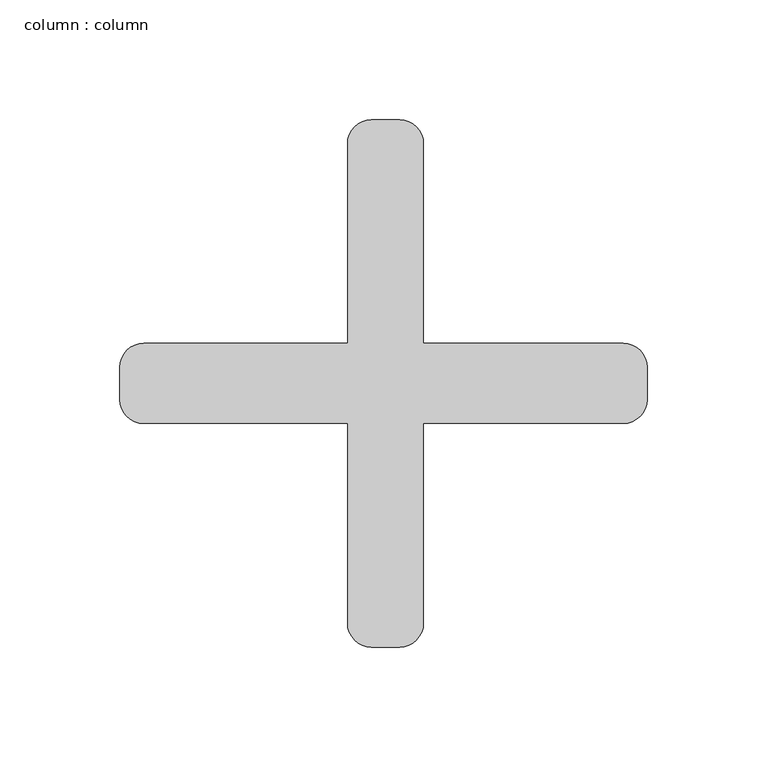
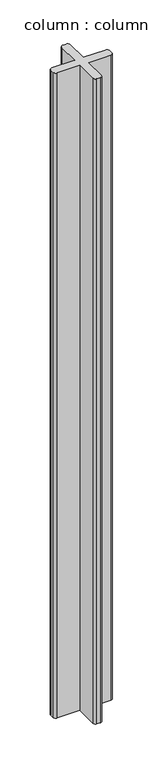
"""IFC4 building model written with IfcOpenShell, lengths in millimetres: column geometry, column : column."""

from ifc_helpers import new_model, si_unit, point, frame_2d, origin, origin_with_axes, place, context, project, spatial, polyline, circle_curve, trimmed, segment, composite_curve, outline, extrude, source, transform, mapped, element, save


def column_column_7b6b4f28(model_context):
    return source(origin(), model_context, "Body", "SweptSolid", [
        extrude(outline(composite_curve([segment(trimmed(circle_curve(frame_2d((6.7, 100.0)), 10.0), [point((6.7, 110.0))], [point((16.7, 100.0))], False, "CARTESIAN"), True, "CONTINUOUS"), segment(polyline([(16.7, 100.0), (16.7, 16.7), (100.0, 16.7)]), True, "CONTINUOUS"), segment(trimmed(circle_curve(frame_2d((100.0, 6.7)), 10.0), [point((100.0, 16.7))], [point((110.0, 6.7))], False, "CARTESIAN"), True, "CONTINUOUS"), segment(polyline([(110.0, 6.7), (110.0, -6.7)]), True, "CONTINUOUS"), segment(trimmed(circle_curve(frame_2d((100.0, -6.7)), 10.0), [point((110.0, -6.7))], [point((100.0, -16.7))], False, "CARTESIAN"), True, "CONTINUOUS"), segment(polyline([(100.0, -16.7), (16.7, -16.7), (16.7, -100.0)]), True, "CONTINUOUS"), segment(trimmed(circle_curve(frame_2d((6.7, -100.0)), 10.0), [point((16.7, -100.0))], [point((6.7, -110.0))], False, "CARTESIAN"), True, "CONTINUOUS"), segment(polyline([(6.7, -110.0), (-5.0, -110.0)]), True, "CONTINUOUS"), segment(trimmed(circle_curve(frame_2d((-5.0, -100.0)), 10.0), [point((-5.0, -110.0))], [point((-15.0, -100.0))], False, "CARTESIAN"), True, "CONTINUOUS"), segment(polyline([(-15.0, -100.0), (-15.0, -16.7), (-100.0, -16.7)]), True, "CONTINUOUS"), segment(trimmed(circle_curve(frame_2d((-100.0, -6.7)), 10.0), [point((-100.0, -16.7))], [point((-110.0, -6.7))], False, "CARTESIAN"), True, "CONTINUOUS"), segment(polyline([(-110.0, -6.7), (-110.0, 6.7)]), True, "CONTINUOUS"), segment(trimmed(circle_curve(frame_2d((-100.0, 6.7)), 10.0), [point((-110.0, 6.7))], [point((-100.0, 16.7))], False, "CARTESIAN"), True, "CONTINUOUS"), segment(polyline([(-100.0, 16.7), (-15.0, 16.7), (-15.0, 100.0)]), True, "CONTINUOUS"), segment(trimmed(circle_curve(frame_2d((-5.0, 100.0)), 10.0), [point((-15.0, 100.0))], [point((-5.0, 110.0))], False, "CARTESIAN"), True, "CONTINUOUS"), segment(polyline([(-5.0, 110.0), (6.7, 110.0)]), True, "CONTINUOUS")], self_intersect=False)), origin_with_axes(), (0.0, 0.0, 1.0), 2550.0),
    ])


if __name__ == "__main__":
    model = new_model("IFC4")
    model_context = context("Model", 3, world=origin())
    ifc_project = project(units=[si_unit("LENGTHUNIT", "METRE", prefix="MILLI")], contexts=[model_context])
    site = spatial("IfcSite", under=ifc_project)
    building = spatial("IfcBuilding", under=site)
    placement = place(None, origin())
    column_column_shape = column_column_7b6b4f28(model_context)
    element("IfcColumn", 1, ObjectType="column : column", at=placement, inside=building, context=model_context, shape_type="MappedRepresentation", body=[
        mapped(column_column_shape, transform((0.0, 0.0, 0.0), x_axis=(1.0, 0.0, 0.0), y_axis=(0.0, 1.0, 0.0), z_axis=(0.0, 0.0, 1.0))),
    ])
    save(model, "model.ifc")
